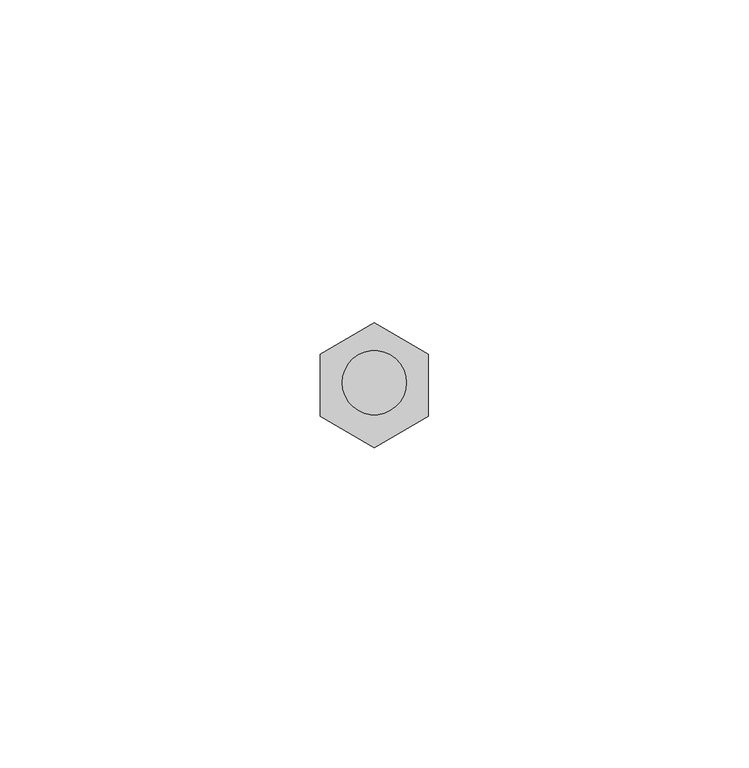
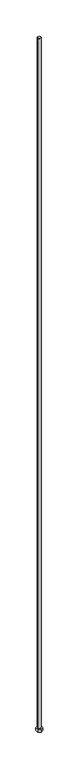
"""IFC4 building model written with IfcOpenShell, lengths in millimetres: proxy geometry."""

from ifc_helpers import new_model, si_unit, point, frame, origin, origin_2d, place, context, project, spatial, polyline, circle_curve, trimmed, segment, composite_curve, outline, extrude, source, transform, mapped, element, save


def generic_models_c4d09639(model_context):
    return source(origin(), model_context, "Body", "SweptSolid", [
        extrude(outline(polyline([(-8.424, 4.8635987), (0.0, 9.7271973), (8.424, 4.8635987), (8.424, -4.8635987), (0.0, -9.7271973), (-8.424, -4.8635987), (-8.424, 4.8635987)])), frame((0.0, 0.0, 73.0), z_axis=(0.0, 0.0, 1.0), x_axis=(1.0, 0.0, 0.0)), (0.0, 0.0, 1.0), 10.0),
        extrude(outline(composite_curve([segment(trimmed(circle_curve(origin_2d(), 5.0), [point((-5.0, 0.0))], [point((5.0, 0.0))], False, "CARTESIAN"), True, "CONTINUOUS"), segment(trimmed(circle_curve(origin_2d(), 5.0), [point((5.0, 0.0))], [point((-5.0, 0.0))], False, "CARTESIAN"), True, "CONTINUOUS")], self_intersect=False)), frame((0.0, 0.0, 73.0), z_axis=(0.0, 0.0, 1.0), x_axis=(1.0, 0.0, 0.0)), (0.0, 0.0, 1.0), 2354.0),
    ])


if __name__ == "__main__":
    model = new_model("IFC4")
    model_context = context("Model", 3, world=origin())
    ifc_project = project(units=[si_unit("LENGTHUNIT", "METRE", prefix="MILLI")], contexts=[model_context])
    site = spatial("IfcSite", under=ifc_project)
    building = spatial("IfcBuilding", under=site)
    placement = place(None, origin())
    generic_models_shape = generic_models_c4d09639(model_context)
    element("IfcBuildingElementProxy", 1, Name="Generic Models", at=placement, inside=building, context=model_context, shape_type="MappedRepresentation", body=[
        mapped(generic_models_shape, transform((0.0, 0.0, 0.0), x_axis=(1.0, 0.0, 0.0), y_axis=(0.0, 1.0, 0.0), z_axis=(0.0, 0.0, 1.0))),
    ])
    save(model, "model.ifc")
